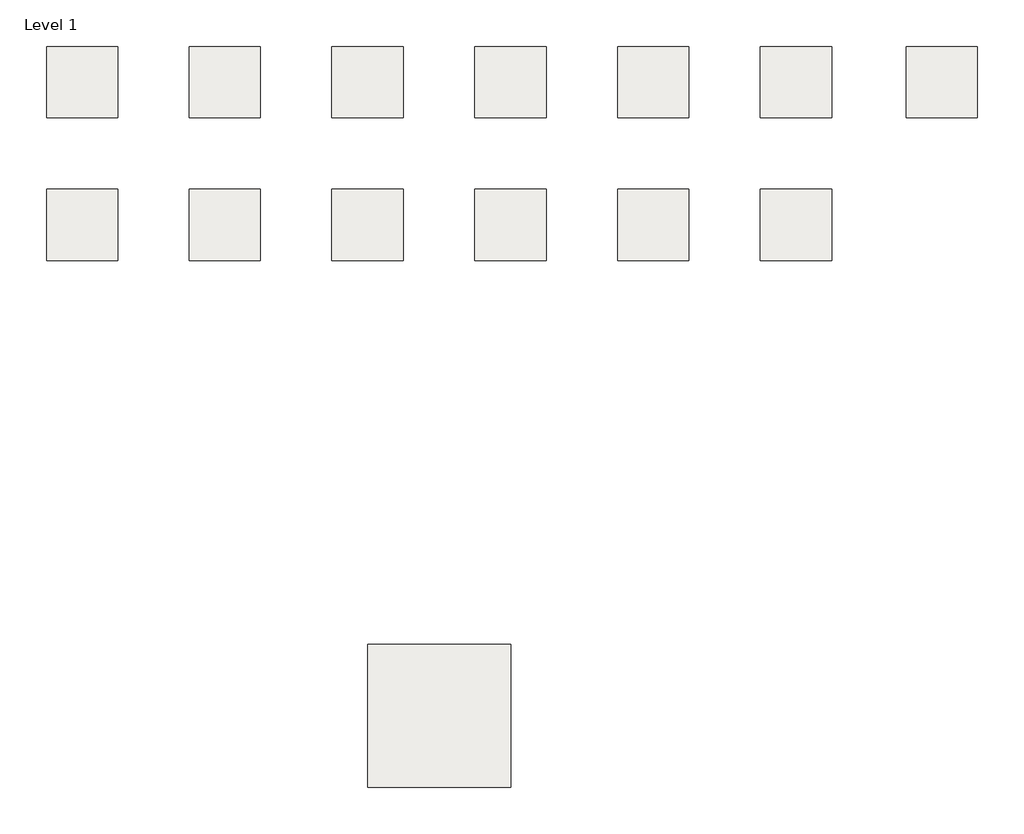
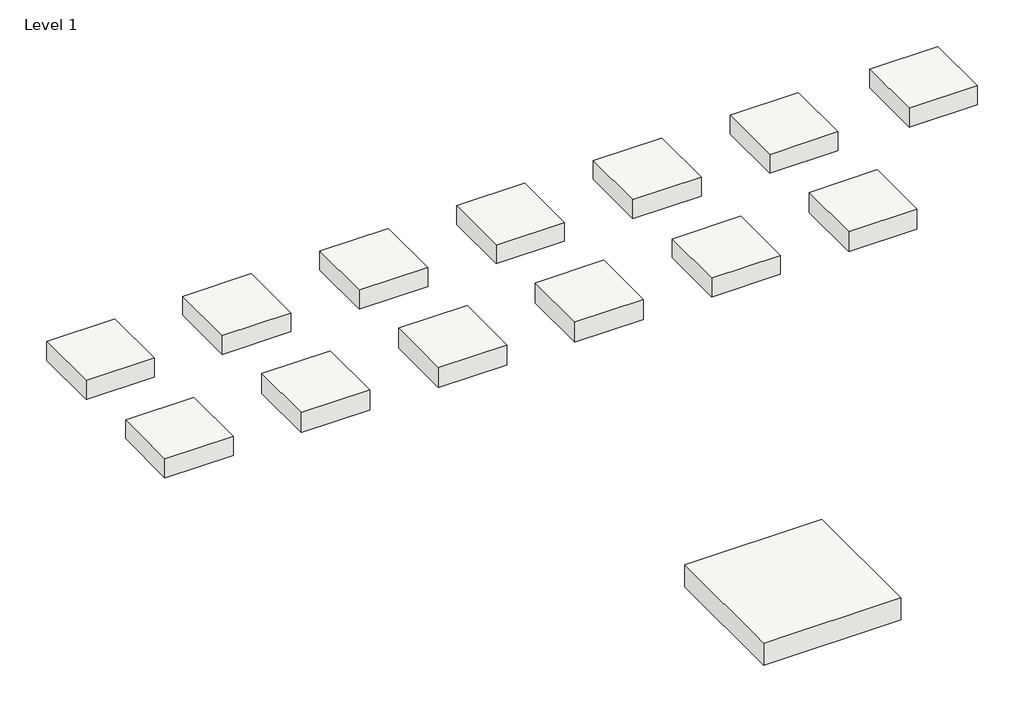
# One storey: 14 roofs.
"""IFC4 building model written with IfcOpenShell, lengths in millimetres."""

from ifc_helpers import new_model, si_unit, origin, origin_with_axes, place, context, project, spatial, polyline, outline, extrude, element, save

model = new_model("IFC4")

# Units and contexts
model_context = context("Model", 3, world=origin())
ifc_project = project(units=[si_unit("LENGTHUNIT", "METRE", prefix="MILLI")], contexts=[model_context])

# Site, building, storey
site = spatial("IfcSite", under=ifc_project)
building = spatial("IfcBuilding", under=site)
storey = spatial("IfcBuildingStorey", under=building, Name="Level 1", Elevation=0.0)

# Roofs
placement = place(None, origin())
element("IfcRoof", 1, at=placement, inside=storey, context=model_context, shape_type="SweptSolid", body=[
    extrude(outline(polyline([(-11560.8976343, 7252.8534382), (-10290.8976343, 7252.8534382), (-10290.8976343, 5982.8534382), (-11560.8976343, 5982.8534382), (-11560.8976343, 7252.8534382)])), origin_with_axes(), (0.0, 0.0, 1.0), 368.3),
])
element("IfcRoof", 2, at=placement, inside=storey, context=model_context, shape_type="SweptSolid", body=[
    extrude(outline(polyline([(-5850.2304955, -3385.1972682), (-3310.2304955, -3385.1972682), (-3310.2304955, -5925.1972682), (-5850.2304955, -5925.1972682), (-5850.2304955, -3385.1972682)])), origin_with_axes(), (0.0, 0.0, 1.0), 431.00625),
])
element("IfcRoof", 3, at=placement, inside=storey, context=model_context, shape_type="SweptSolid", body=[
    extrude(outline(polyline([(-9027.2476343, 7252.8534382), (-7757.2476343, 7252.8534382), (-7757.2476343, 5982.8534382), (-9027.2476343, 5982.8534382), (-9027.2476343, 7252.8534382)])), origin_with_axes(), (0.0, 0.0, 1.0), 368.3),
])
element("IfcRoof", 4, at=placement, inside=storey, context=model_context, shape_type="SweptSolid", body=[
    extrude(outline(polyline([(-6487.2476343, 7252.8534382), (-5217.2476343, 7252.8534382), (-5217.2476343, 5982.8534382), (-6487.2476343, 5982.8534382), (-6487.2476343, 7252.8534382)])), origin_with_axes(), (0.0, 0.0, 1.0), 368.3),
])
element("IfcRoof", 5, at=placement, inside=storey, context=model_context, shape_type="SweptSolid", body=[
    extrude(outline(polyline([(-3947.2476343, 7252.8534382), (-2677.2476343, 7252.8534382), (-2677.2476343, 5982.8534382), (-3947.2476343, 5982.8534382), (-3947.2476343, 7252.8534382)])), origin_with_axes(), (0.0, 0.0, 1.0), 368.3),
])
element("IfcRoof", 6, at=placement, inside=storey, context=model_context, shape_type="SweptSolid", body=[
    extrude(outline(polyline([(-1407.2476343, 7252.8534382), (-137.2476343, 7252.8534382), (-137.2476343, 5982.8534382), (-1407.2476343, 5982.8534382), (-1407.2476343, 7252.8534382)])), origin_with_axes(), (0.0, 0.0, 1.0), 368.3),
])
element("IfcRoof", 7, at=placement, inside=storey, context=model_context, shape_type="SweptSolid", body=[
    extrude(outline(polyline([(1132.7523657, 7252.8534382), (2402.7523657, 7252.8534382), (2402.7523657, 5982.8534382), (1132.7523657, 5982.8534382), (1132.7523657, 7252.8534382)])), origin_with_axes(), (0.0, 0.0, 1.0), 368.3),
])
element("IfcRoof", 8, at=placement, inside=storey, context=model_context, shape_type="SweptSolid", body=[
    extrude(outline(polyline([(3723.5523657, 7252.8534382), (4993.5523657, 7252.8534382), (4993.5523657, 5982.8534382), (3723.5523657, 5982.8534382), (3723.5523657, 7252.8534382)])), origin_with_axes(), (0.0, 0.0, 1.0), 368.3),
])
element("IfcRoof", 9, at=placement, inside=storey, context=model_context, shape_type="SweptSolid", body=[
    extrude(outline(polyline([(-11560.8976343, 4712.8534382), (-10290.8976343, 4712.8534382), (-10290.8976343, 3442.8534382), (-11560.8976343, 3442.8534382), (-11560.8976343, 4712.8534382)])), origin_with_axes(), (0.0, 0.0, 1.0), 368.3),
])
element("IfcRoof", 10, at=placement, inside=storey, context=model_context, shape_type="SweptSolid", body=[
    extrude(outline(polyline([(-9027.2476343, 4712.8534382), (-7757.2476343, 4712.8534382), (-7757.2476343, 3442.8534382), (-9027.2476343, 3442.8534382), (-9027.2476343, 4712.8534382)])), origin_with_axes(), (0.0, 0.0, 1.0), 393.7),
])
element("IfcRoof", 11, at=placement, inside=storey, context=model_context, shape_type="SweptSolid", body=[
    extrude(outline(polyline([(-6487.2476343, 4712.8534382), (-5217.2476343, 4712.8534382), (-5217.2476343, 3442.8534382), (-6487.2476343, 3442.8534382), (-6487.2476343, 4712.8534382)])), origin_with_axes(), (0.0, 0.0, 1.0), 393.7),
])
element("IfcRoof", 12, at=placement, inside=storey, context=model_context, shape_type="SweptSolid", body=[
    extrude(outline(polyline([(-3947.2476343, 4712.8534382), (-2677.2476343, 4712.8534382), (-2677.2476343, 3442.8534382), (-3947.2476343, 3442.8534382), (-3947.2476343, 4712.8534382)])), origin_with_axes(), (0.0, 0.0, 1.0), 393.7),
])
element("IfcRoof", 13, at=placement, inside=storey, context=model_context, shape_type="SweptSolid", body=[
    extrude(outline(polyline([(-1407.2476343, 4712.8534382), (-137.2476343, 4712.8534382), (-137.2476343, 3442.8534382), (-1407.2476343, 3442.8534382), (-1407.2476343, 4712.8534382)])), origin_with_axes(), (0.0, 0.0, 1.0), 368.3),
])
element("IfcRoof", 14, at=placement, inside=storey, context=model_context, shape_type="SweptSolid", body=[
    extrude(outline(polyline([(1132.7523657, 4712.8534382), (2402.7523657, 4712.8534382), (2402.7523657, 3442.8534382), (1132.7523657, 3442.8534382), (1132.7523657, 4712.8534382)])), origin_with_axes(), (0.0, 0.0, 1.0), 393.7),
])

save(model, "model.ifc")
